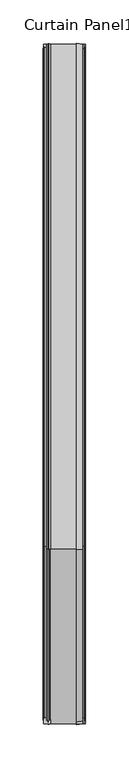
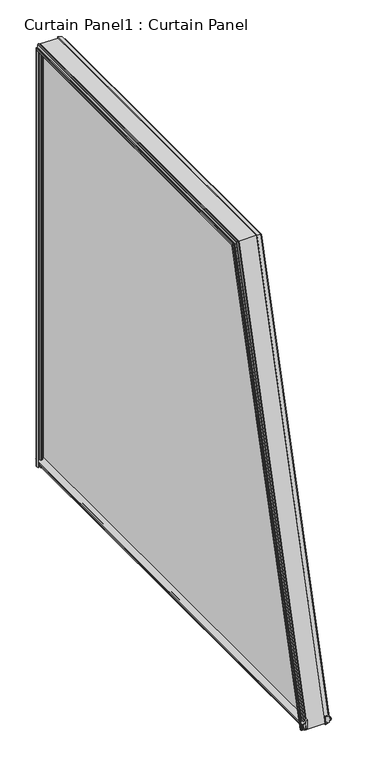
"""IFC4 building model written with IfcOpenShell, lengths in millimetres: plate geometry, Curtain Panel1 : Curtain Panel."""

from ifc_helpers import new_model, si_unit, point, frame, frame_2d, origin, place, context, project, spatial, polyline, circle_curve, ellipse_curve, trimmed, segment, composite_curve, outline, extrude, faceted_brep, source, transform, mapped, element, save
from ifc_brep_helpers import plane_surface, cylinder_surface, advanced_brep


def curtain_panel1_curtain_panel_ba2fb944(model_context):
    return source(origin(), model_context, "Body", "SolidModel", [
        extrude(outline(polyline([(892.3690138, -5186.9613997), (896.6616138, -5186.9613997), (897.1442138, -5184.2435997), (895.5948138, -5184.4975997), (895.5948138, -5183.6847997), (897.9316138, -5183.2783997), (900.2684138, -5183.6847997), (900.2684138, -5184.4975997), (898.7190138, -5184.2435997), (899.2016138, -5186.9613997), (903.4942138, -5186.9613997), (904.7022449, -5193.7800642), (891.1582229, -5193.7800642), (892.3690138, -5186.9613997)])), frame((0.0, 2686.8161776, 0.0), z_axis=(0.0, 1.0, 0.0), x_axis=(0.0, 0.0, 1.0)), (0.0, 0.0, 1.0), 783.2469048),
        extrude(outline(composite_curve([segment(polyline([(896.0734178, -5223.8167997), (910.0922254, -5223.8167997)]), True, "CONTINUOUS"), segment(trimmed(circle_curve(frame_2d((917.6100183, -5235.409894)), 13.8172734), [point((910.0922254, -5223.8167997))], [point((904.2816138, -5231.7669997))], True, "CARTESIAN"), True, "CONTINUOUS"), segment(polyline([(904.2816138, -5231.7669997), (904.2816138, -5229.3325299)]), True, "CONTINUOUS"), segment(trimmed(circle_curve(frame_2d((903.5300197, -5229.3325299)), 0.7515941), [point((904.2816138, -5229.3325299))], [point((903.5300197, -5228.5809358))], True, "CARTESIAN"), True, "CONTINUOUS"), segment(polyline([(903.5300197, -5228.5809358), (902.7120477, -5228.5809358), (902.7120477, -5230.271043), (897.1068876, -5228.6637892), (896.0734178, -5228.5919997)]), True, "CONTINUOUS"), segment(trimmed(circle_curve(frame_2d((896.0734178, -5226.2043997)), 2.3876), [point((896.0734178, -5228.5919997))], [point((896.0734178, -5223.8167997))], False, "CARTESIAN"), True, "CONTINUOUS")], self_intersect=False)), frame((0.0, 2686.8161776, 0.0), z_axis=(0.0, 1.0, 0.0), x_axis=(0.0, 0.0, 1.0)), (0.0, 0.0, 1.0), 783.2469048),
        advanced_brep(
        [(-5231.4342853, 2690.810271, 892.1097967), (-5231.1559844, 2689.2857278, 892.5182968), (-5231.9687844, 2689.2857278, 892.5182968), (-5232.3751844, 2691.5429017, 891.9134889), (-5231.9687844, 2693.8000756, 891.308681), (-5231.1559844, 2693.8000756, 891.308681), (-5231.4099844, 2692.3034712, 891.7096949), (-5228.6921844, 2692.7696266, 891.584789), (-5228.6921844, 2696.1553875, 890.6775771), (-5226.9775171, 2696.5377609, 890.5751204), (-5225.6571499, 2696.5053175, 890.5838136), (-5223.9423844, 2696.1553875, 890.6775771), (-5223.9423844, 2686.9304159, 893.1494008), (-5225.6571499, 2686.580486, 893.2431642), (-5226.9775171, 2686.5480425, 893.2518574), (-5228.6921844, 2686.9304159, 893.1494008), (-5228.6921844, 2690.3432397, 892.2349374), (-5231.4342853, 3465.9280927, 893.1800108), (-5228.6921844, 3466.411599, 893.1800108), (-5228.6921844, 3469.9448142, 893.1800108), (-5226.9775171, 3470.3406764, 893.1800108), (-5225.6571499, 3470.3070884, 893.1800108), (-5223.9423844, 3469.9448142, 893.1800108), (-5223.9423844, 3460.3944209, 893.1800108), (-5225.6571499, 3460.0321467, 893.1800108), (-5226.9775171, 3459.9985588, 893.1800108), (-5228.6921844, 3460.3944209, 893.1800108), (-5228.6921844, 3463.8996185, 893.1800108), (-5231.4099844, 3464.3822181, 893.1800108), (-5231.1559844, 3462.8328192, 893.1800108), (-5231.9687844, 3462.8328192, 893.1800108), (-5232.3751844, 3465.1696176, 893.1800108), (-5231.9687844, 3467.5064159, 893.1800108), (-5231.1559844, 3467.5064159, 893.1800108), (-5231.4342853, 2891.057197, 1639.4414984), (-5231.1559844, 2889.8461069, 1641.0198217), (-5231.9687844, 2889.8461069, 1641.0198217), (-5232.3751844, 2891.6391954, 1638.6830233), (-5231.9687844, 2893.4322838, 1636.346225), (-5231.1559844, 2893.4322838, 1636.346225), (-5231.4099844, 2892.2433882, 1637.8956239), (-5228.6921844, 2892.6137, 1637.4130242), (-5228.6921844, 3463.8996185, 1637.4130242), (-5228.6921844, 3460.3944209, 1633.9078267), (-5228.6921844, 2895.3033327, 1633.9078267), (-5223.9423844, 2895.3033327, 1633.9078267), (-5223.9423844, 3460.3944209, 1633.9078267), (-5223.9423844, 3469.9448142, 1643.45822), (-5223.9423844, 2887.9750581, 1643.45822), (-5228.6921844, 2887.9750581, 1643.45822), (-5228.6921844, 3469.9448142, 1643.45822), (-5228.6921844, 3466.411599, 1639.9250048), (-5228.6921844, 2890.6861895, 1639.9250048), (-5226.9775171, 2895.6070884, 1633.5119645), (-5225.6571499, 2895.5813154, 1633.5455525), (-5225.6571499, 2887.6970754, 1643.8204941), (-5226.9775171, 2887.6713024, 1643.8540821), (-5231.4342853, 3465.9280927, 1639.4414984), (-5231.1559844, 3467.5064159, 1641.0198217), (-5231.9687844, 3467.5064159, 1641.0198217), (-5232.3751844, 3465.1696176, 1638.6830233), (-5231.9687844, 3462.8328192, 1636.346225), (-5231.1559844, 3462.8328192, 1636.346225), (-5231.4099844, 3464.3822181, 1637.8956239), (-5226.9775171, 3459.9985588, 1633.5119645), (-5225.6571499, 3460.0321467, 1633.5455525), (-5225.6571499, 3470.3070884, 1643.8204941), (-5226.9775171, 3470.3406764, 1643.8540821)],
        [
            (0, 1),
            (1, 2),
            (2, 3),
            (3, 4),
            (4, 5),
            (5, 6),
            (6, 7),
            (7, 8),
            (8, 9),
            (9, 10, circle_curve(frame((-5226.3172844, 2696.5234049, 890.5789671), z_axis=(0.0, -0.2588190451025222, -0.965925826289068), x_axis=(-1.0, 0.0, 0.0)), 0.6604)),
            (10, 11),
            (11, 12),
            (12, 13),
            (13, 14, circle_curve(frame((-5226.3172844, 2686.5623985, 893.2480107), z_axis=(0.0, -0.2588190451025222, -0.965925826289068), x_axis=(-1.0, 0.0, 0.0)), 0.6604)),
            (14, 15),
            (15, 16),
            (16, 0),
            (17, 18),
            (18, 19),
            (19, 20),
            (20, 21, circle_curve(frame((-5226.3172844, 3470.3258139, 893.1800108), z_axis=(0.0, 0.0, -1.0), x_axis=(-1.0, 0.0, 0.0)), 0.6604)),
            (21, 22),
            (22, 23),
            (23, 24),
            (24, 25, circle_curve(frame((-5226.3172844, 3460.0134212, 893.1800108), z_axis=(0.0, 0.0, -1.0), x_axis=(-1.0, 0.0, 0.0)), 0.6604)),
            (25, 26),
            (26, 27),
            (27, 28),
            (28, 29),
            (29, 30),
            (30, 31),
            (31, 32),
            (32, 33),
            (33, 17),
            (0, 34),
            (34, 35),
            (35, 1),
            (35, 36),
            (36, 2),
            (36, 37),
            (37, 3),
            (37, 38),
            (38, 4),
            (38, 39),
            (39, 5),
            (39, 40),
            (40, 6),
            (40, 41),
            (41, 7),
            (41, 42),
            (42, 27),
            (26, 43),
            (43, 44),
            (44, 8),
            (11, 45),
            (45, 46),
            (46, 23),
            (22, 47),
            (47, 48),
            (48, 12),
            (15, 49),
            (49, 50),
            (50, 19),
            (18, 51),
            (51, 52),
            (52, 16),
            (52, 34),
            (44, 53),
            (53, 9),
            (53, 54, ellipse_curve(frame((-5226.3172844, 2895.595684, 1633.526827), z_axis=(0.0, -0.7933533402912355, -0.6087614290087201), x_axis=(0.0, 0.60876142900872, -0.7933533402912356)), 0.832416, 0.6604)),
            (54, 10),
            (54, 45),
            (48, 55),
            (55, 13),
            (55, 56, ellipse_curve(frame((-5226.3172844, 2887.6827068, 1643.8392197), z_axis=(0.0, -0.7933533402912355, -0.6087614290087201), x_axis=(0.0, 0.60876142900872, -0.7933533402912356)), 0.832416, 0.6604)),
            (56, 14),
            (56, 49),
            (34, 57),
            (57, 58),
            (58, 35),
            (58, 59),
            (59, 36),
            (59, 60),
            (60, 37),
            (60, 61),
            (61, 38),
            (61, 62),
            (62, 39),
            (62, 63),
            (63, 40),
            (63, 42),
            (43, 64),
            (64, 53),
            (64, 65, ellipse_curve(frame((-5226.3172844, 3460.0134212, 1633.526827), z_axis=(0.0, -0.7071067811865474, 0.7071067811865477), x_axis=(0.0, -0.7071067811865476, -0.7071067811865474)), 0.9339466, 0.6604)),
            (65, 54),
            (65, 46),
            (47, 66),
            (66, 55),
            (66, 67, ellipse_curve(frame((-5226.3172844, 3470.3258139, 1643.8392197), z_axis=(0.0, -0.7071067811865474, 0.7071067811865477), x_axis=(0.0, -0.7071067811865476, -0.7071067811865474)), 0.9339466, 0.6604)),
            (67, 56),
            (67, 50),
            (51, 57),
            (57, 17),
            (33, 58),
            (32, 59),
            (31, 60),
            (30, 61),
            (29, 62),
            (28, 63),
            (25, 64),
            (24, 65),
            (21, 66),
            (20, 67),
        ],
        [
            plane_surface(frame((-5223.9425642, 2686.8161776, 893.1800108), z_axis=(0.0, -0.25881904510252224, -0.9659258262890679), x_axis=(-1.0, 0.0, 0.0))),
            plane_surface(frame((-5223.9425642, 3470.0630824, 893.1800108), z_axis=(0.0, 0.0, -1.0), x_axis=(-1.0, 0.0, 0.0))),
            plane_surface(frame((-5231.4342853, 2690.810271, 892.1097967), z_axis=(0.9848077530121929, 0.16773125949660359, -0.044943455527570356), x_axis=(0.0, 0.2588190451025226, 0.9659258262890678))),
            plane_surface(frame((-5231.1559844, 2689.2857278, 892.5182968), z_axis=(0.0, -0.965925826289068, 0.25881904510252196), x_axis=(0.0, 0.25881904510252196, 0.965925826289068))),
            plane_surface(frame((-5231.9687844, 2689.2857278, 892.5182968), z_axis=(-0.9852117345923342, -0.16550297814303352, 0.0443463893383718), x_axis=(0.0, 0.25881904510252196, 0.965925826289068))),
            plane_surface(frame((-5232.3751844, 2691.5429017, 891.9134889), z_axis=(-0.9852117345923411, 0.1655029781429952, -0.044346389338361596), x_axis=(0.0, 0.2588190451025223, 0.9659258262890679))),
            plane_surface(frame((-5231.9687844, 2693.8000756, 891.308681), z_axis=(0.0, 0.965925826289068, -0.25881904510252224), x_axis=(0.0, 0.25881904510252224, 0.965925826289068))),
            plane_surface(frame((-5231.1559844, 2693.8000756, 891.308681), z_axis=(0.9868276470441841, -0.15626278311222602, 0.04187048654196089), x_axis=(0.0, 0.25881904510252224, 0.965925826289068))),
            plane_surface(frame((-5231.4099844, 2692.3034712, 891.7096949), z_axis=(-0.17483499188440074, 0.9510483934199769, -0.25483264897980085), x_axis=(0.0, 0.25881904510252207, 0.965925826289068))),
            plane_surface(frame((-5228.6921844, 2692.7696266, 891.584789), z_axis=(-1.0, 0.0, 0.0), x_axis=(0.0, 0.25881904510252207, 0.965925826289068))),
            plane_surface(frame((-5223.9423844, 2696.1553875, 890.6775771), z_axis=(1.0000000000000002, 0.0, 0.0), x_axis=(0.0, 0.25881904510252257, 0.9659258262890679))),
            plane_surface(frame((-5228.6921844, 2686.9304159, 893.1494008), z_axis=(-1.0, 0.0, 0.0), x_axis=(0.0, 0.25881904510252224, 0.9659258262890679))),
            plane_surface(frame((-5228.6921844, 2690.3432397, 892.2349374), z_axis=(-0.17364817766687723, -0.9512512425642066, 0.2548870022441826), x_axis=(0.0, 0.2588190451025221, 0.965925826289068))),
            plane_surface(frame((-5228.6921844, 2696.1553875, 890.6775771), z_axis=(-0.2249510543437139, 0.9411692099390448, -0.25218552974420616), x_axis=(0.0, 0.258819045102522, 0.965925826289068))),
            cylinder_surface(frame((-5226.3172844, 2696.5234049, 890.5789671), z_axis=(0.0, -0.2588190451025222, -0.965925826289068), x_axis=(-1.0, 0.0, 0.0)), 0.6604),
            plane_surface(frame((-5225.6571499, 2696.5053175, 890.5838136), z_axis=(0.20670479014045356, 0.9450650714215391, -0.2532294226822638), x_axis=(0.0, 0.2588190451025218, 0.9659258262890681))),
            plane_surface(frame((-5223.9423844, 2686.9304159, 893.1494008), z_axis=(0.20670479098948896, -0.9450650712482772, 0.2532294226358392), x_axis=(0.0, 0.25881904510252257, 0.9659258262890679))),
            cylinder_surface(frame((-5226.3172844, 2686.5623985, 893.2480107), z_axis=(0.0, -0.2588190451025222, -0.965925826289068), x_axis=(-1.0, 0.0, 0.0)), 0.6604),
            plane_surface(frame((-5226.9775171, 2686.5480425, 893.2518574), z_axis=(-0.22495105434392432, -0.9411692099389978, 0.25218552974419384), x_axis=(0.0, 0.2588190451025223, 0.9659258262890679))),
            plane_surface(frame((-5231.4342853, 2891.057197, 1639.4414984), z_axis=(0.9848077530121927, 0.0, -0.17364817766701773), x_axis=(0.0, 1.0, 0.0))),
            plane_surface(frame((-5231.1559844, 2889.8461069, 1641.0198217), z_axis=(0.0, 0.0, 1.0), x_axis=(0.0, 1.0, 0.0))),
            plane_surface(frame((-5231.9687844, 2889.8461069, 1641.0198217), z_axis=(-0.9852117345923341, 0.0, 0.17134129105841467), x_axis=(0.0, 1.0, 0.0))),
            plane_surface(frame((-5232.3751844, 2891.6391954, 1638.6830233), z_axis=(-0.9852117345923416, 0.0, -0.17134129105837215), x_axis=(0.0, 1.0, 0.0))),
            plane_surface(frame((-5231.9687844, 2893.4322838, 1636.346225), z_axis=(0.0, 0.0, -1.0), x_axis=(0.0, 1.0, 0.0))),
            plane_surface(frame((-5231.1559844, 2893.4322838, 1636.346225), z_axis=(0.9868276470441844, 0.0, 0.16177513724067322), x_axis=(0.0, 1.0, 0.0))),
            plane_surface(frame((-5231.4099844, 2892.2433882, 1637.8956239), z_axis=(-0.17483499188440216, 0.0, -0.9845977481249798), x_axis=(0.0, 1.0, 0.0))),
            plane_surface(frame((-5228.6921844, 2895.3033327, 1633.9078267), z_axis=(-0.22495105434371535, 0.0, -0.9743700647852699), x_axis=(0.0, 1.0, 0.0))),
            cylinder_surface(frame((-5226.3172844, 2887.8843077, 1633.526827), z_axis=(0.0, -1.0, 0.0), x_axis=(-1.0, 0.0, 0.0)), 0.6604),
            plane_surface(frame((-5225.6571499, 2895.5813154, 1633.5455525), z_axis=(0.20670479014045218, 0.0, -0.9784033573802738), x_axis=(0.0, 1.0, 0.0))),
            plane_surface(frame((-5223.9423844, 2887.9750581, 1643.45822), z_axis=(0.20670479098949038, 0.0, 0.9784033572008997), x_axis=(0.0, 1.0, 0.0))),
            cylinder_surface(frame((-5226.3172844, 2887.8843077, 1643.8392197), z_axis=(0.0, -1.0, 0.0), x_axis=(-1.0, 0.0, 0.0)), 0.6604),
            plane_surface(frame((-5226.9775171, 2887.6713024, 1643.8540821), z_axis=(-0.22495105434392298, 0.0, 0.9743700647852219), x_axis=(0.0, 1.0, 0.0))),
            plane_surface(frame((-5228.6921844, 2890.6861895, 1639.9250048), z_axis=(-0.17364817766687585, 0.0, 0.9848077530122177), x_axis=(0.0, 1.0, 0.0))),
            plane_surface(frame((-5231.4342853, 3465.9280927, 1639.4414984), z_axis=(0.9848077530121924, -0.17364817766701957, 0.0), x_axis=(0.0, 0.0, -1.0))),
            plane_surface(frame((-5231.1559844, 3467.5064159, 1641.0198217), z_axis=(0.0, 1.0, 0.0), x_axis=(0.0, 0.0, -1.0))),
            plane_surface(frame((-5231.9687844, 3467.5064159, 1641.0198217), z_axis=(-0.9852117345923338, 0.1713412910584165, 0.0), x_axis=(0.0, 0.0, -1.0))),
            plane_surface(frame((-5232.3751844, 3465.1696176, 1638.6830233), z_axis=(-0.9852117345923419, -0.17134129105837032, 0.0), x_axis=(0.0, 0.0, -1.0))),
            plane_surface(frame((-5231.9687844, 3462.8328192, 1636.346225), z_axis=(0.0, -1.0, 0.0), x_axis=(0.0, 0.0, -1.0))),
            plane_surface(frame((-5231.1559844, 3462.8328192, 1636.346225), z_axis=(0.9868276470441847, 0.16177513724067139, 0.0), x_axis=(0.0, 0.0, -1.0))),
            plane_surface(frame((-5231.4099844, 3464.3822181, 1637.8956239), z_axis=(-0.174834991884404, -0.9845977481249795, 0.0), x_axis=(0.0, 0.0, -1.0))),
            plane_surface(frame((-5228.6921844, 3460.3944209, 1633.9078267), z_axis=(-0.22495105434371715, -0.9743700647852694, 0.0), x_axis=(0.0, 0.0, -1.0))),
            cylinder_surface(frame((-5226.3172844, 3460.0134212, 1643.5764882), z_axis=(0.0, 0.0, 1.0), x_axis=(-1.0, 0.0, 0.0)), 0.6604),
            plane_surface(frame((-5225.6571499, 3460.0321467, 1633.5455525), z_axis=(0.20670479014045037, -0.9784033573802742, 0.0), x_axis=(0.0, 0.0, -1.0))),
            plane_surface(frame((-5223.9423844, 3469.9448142, 1643.45822), z_axis=(0.20670479098949218, 0.9784033572008993, 0.0), x_axis=(0.0, 0.0, -1.0))),
            cylinder_surface(frame((-5226.3172844, 3470.3258139, 1643.5764882), z_axis=(0.0, 0.0, 1.0), x_axis=(-1.0, 0.0, 0.0)), 0.6604),
            plane_surface(frame((-5226.9775171, 3470.3406764, 1643.8540821), z_axis=(-0.22495105434392118, 0.9743700647852224, 0.0), x_axis=(0.0, 0.0, -1.0))),
            plane_surface(frame((-5228.6921844, 3466.411599, 1639.9250048), z_axis=(-0.17364817766687402, 0.984807753012218, 0.0), x_axis=(0.0, 0.0, -1.0))),
        ],
        [
            (0, [[1, 2, 3, 4, 5, 6, 7, 8, 9, 10, 11, 12, 13, 14, 15, 16, 17]]),
            (1, [[18, 19, 20, 21, 22, 23, 24, 25, 26, 27, 28, 29, 30, 31, 32, 33, 34]]),
            (2, [[-1, 35, 36, 37]]),
            (3, [[-2, -37, 38, 39]]),
            (4, [[-3, -39, 40, 41]]),
            (5, [[-4, -41, 42, 43]]),
            (6, [[-5, -43, 44, 45]]),
            (7, [[-6, -45, 46, 47]]),
            (8, [[-7, -47, 48, 49]]),
            (9, [[-8, -49, 50, 51, -27, 52, 53, 54]]),
            (10, [[-12, 55, 56, 57, -23, 58, 59, 60]]),
            (11, [[-16, 61, 62, 63, -19, 64, 65, 66]]),
            (12, [[-17, -66, 67, -35]]),
            (13, [[-9, -54, 68, 69]]),
            (14, [[-10, -69, 70, 71]]),
            (15, [[-11, -71, 72, -55]]),
            (16, [[-13, -60, 73, 74]]),
            (17, [[-14, -74, 75, 76]]),
            (18, [[-15, -76, 77, -61]]),
            (19, [[-36, 78, 79, 80]]),
            (20, [[-38, -80, 81, 82]]),
            (21, [[-40, -82, 83, 84]]),
            (22, [[-42, -84, 85, 86]]),
            (23, [[-44, -86, 87, 88]]),
            (24, [[-46, -88, 89, 90]]),
            (25, [[-48, -90, 91, -50]]),
            (26, [[-68, -53, 92, 93]]),
            (27, [[-70, -93, 94, 95]]),
            (28, [[-72, -95, 96, -56]]),
            (29, [[-73, -59, 97, 98]]),
            (30, [[-75, -98, 99, 100]]),
            (31, [[-77, -100, 101, -62]]),
            (32, [[-67, -65, 102, -78]]),
            (33, [[-79, 103, -34, 104]]),
            (34, [[-81, -104, -33, 105]]),
            (35, [[-83, -105, -32, 106]]),
            (36, [[-85, -106, -31, 107]]),
            (37, [[-87, -107, -30, 108]]),
            (38, [[-89, -108, -29, 109]]),
            (39, [[-91, -109, -28, -51]]),
            (40, [[-92, -52, -26, 110]]),
            (41, [[-94, -110, -25, 111]]),
            (42, [[-96, -111, -24, -57]]),
            (43, [[-97, -58, -22, 112]]),
            (44, [[-99, -112, -21, 113]]),
            (45, [[-101, -113, -20, -63]]),
            (46, [[-102, -64, -18, -103]]),
        ],
    ),
        faceted_brep([(-5184.3450632, 2691.4811367, 891.9300388), (-5187.0871642, 2691.0141054, 892.0551795), (-5187.0871642, 2686.8161776, 893.1800108), (-5193.7800642, 2685.691856, 893.4812719), (-5193.7800642, 2698.6978293, 889.9963318), (-5187.0871642, 2697.549867, 890.3039274), (-5187.0871642, 2693.4404923, 891.405031), (-5184.3693642, 2692.9743368, 891.529937), (-5184.6233642, 2694.4709413, 891.1289231), (-5183.8105642, 2694.4709413, 891.1289231), (-5183.4041642, 2692.2137674, 891.733731), (-5183.8105642, 2689.9565935, 892.3385389), (-5184.6233642, 2689.9565935, 892.3385389), (-5184.3450632, 3465.2335614, 893.1800108), (-5184.6233642, 3466.8118847, 893.1800108), (-5183.8105642, 3466.8118847, 893.1800108), (-5183.4041642, 3464.4750863, 893.1800108), (-5183.8105642, 3462.1382879, 893.1800108), (-5184.6233642, 3462.1382879, 893.1800108), (-5184.3693642, 3463.6876869, 893.1800108), (-5187.0871642, 3463.2050872, 893.1800108), (-5187.0871642, 3458.9507495, 893.1800108), (-5193.7800642, 3457.7622914, 893.1800108), (-5193.7800642, 3471.2270658, 893.1800108), (-5187.0871642, 3470.0630824, 893.1800108), (-5187.0871642, 3465.7170678, 893.1800108), (-5184.3450632, 2891.5901295, 1638.7469672), (-5187.0871642, 2891.219122, 1639.2304736), (-5187.0871642, 3465.7170678, 1639.2304736), (-5187.0871642, 3470.0630824, 1643.5764882), (-5187.0871642, 2887.8843077, 1643.5764882), (-5193.7800642, 2886.9911519, 1644.7404716), (-5193.7800642, 3471.2270658, 1644.7404716), (-5193.7800642, 3457.7622914, 1631.2756972), (-5193.7800642, 2897.3230366, 1631.2756972), (-5187.0871642, 2896.4111007, 1632.4641553), (-5187.0871642, 3458.9507495, 1632.4641553), (-5187.0871642, 3463.2050872, 1636.718493), (-5187.0871642, 2893.1466326, 1636.718493), (-5184.3693642, 2892.7763208, 1637.2010926), (-5184.6233642, 2893.9652164, 1635.6516937), (-5183.8105642, 2893.9652164, 1635.6516937), (-5183.4041642, 2892.172128, 1637.9884921), (-5183.8105642, 2890.3790395, 1640.3252904), (-5184.6233642, 2890.3790395, 1640.3252904), (-5184.3450632, 3465.2335614, 1638.7469672), (-5184.3693642, 3463.6876869, 1637.2010926), (-5184.6233642, 3462.1382879, 1635.6516937), (-5183.8105642, 3462.1382879, 1635.6516937), (-5183.4041642, 3464.4750863, 1637.9884921), (-5183.8105642, 3466.8118847, 1640.3252904), (-5184.6233642, 3466.8118847, 1640.3252904)], [[[0, 1, 2, 3, 4, 5, 6, 7, 8, 9, 10, 11, 12]], [[13, 14, 15, 16, 17, 18, 19, 20, 21, 22, 23, 24, 25]], [[1, 0, 26, 27]], [[2, 1, 27, 28, 25, 24, 29, 30]], [[3, 2, 30, 31]], [[4, 3, 31, 32, 23, 22, 33, 34]], [[5, 4, 34, 35]], [[6, 5, 35, 36, 21, 20, 37, 38]], [[7, 6, 38, 39]], [[8, 7, 39, 40]], [[9, 8, 40, 41]], [[10, 9, 41, 42]], [[11, 10, 42, 43]], [[12, 11, 43, 44]], [[0, 12, 44, 26]], [[27, 26, 45, 28]], [[31, 30, 29, 32]], [[35, 34, 33, 36]], [[39, 38, 37, 46]], [[40, 39, 46, 47]], [[41, 40, 47, 48]], [[42, 41, 48, 49]], [[43, 42, 49, 50]], [[44, 43, 50, 51]], [[26, 44, 51, 45]], [[28, 45, 13, 25]], [[32, 29, 24, 23]], [[36, 33, 22, 21]], [[46, 37, 20, 19]], [[47, 46, 19, 18]], [[48, 47, 18, 17]], [[49, 48, 17, 16]], [[50, 49, 16, 15]], [[51, 50, 15, 14]], [[45, 51, 14, 13]]]),
        extrude(outline(polyline([(2686.8161776, 893.1800108), (2887.8843077, 1643.5764882), (3470.0630824, 1643.5764882), (3470.0630824, 893.1800108), (2686.8161776, 893.1800108)])), frame((-5223.9425642, 0.0, 0.0), z_axis=(1.0, 0.0, 0.0), x_axis=(0.0, 1.0, 0.0)), (0.0, 0.0, 1.0), 30.1625),
    ])


if __name__ == "__main__":
    model = new_model("IFC4")
    model_context = context("Model", 3, world=origin())
    ifc_project = project(units=[si_unit("LENGTHUNIT", "METRE", prefix="MILLI")], contexts=[model_context])
    site = spatial("IfcSite", under=ifc_project)
    building = spatial("IfcBuilding", under=site)
    placement = place(None, origin())
    curtain_panel1_curtain_panel_shape = curtain_panel1_curtain_panel_ba2fb944(model_context)
    element("IfcPlate", 1, ObjectType="Curtain Panel1 : Curtain Panel", at=placement, inside=building, context=model_context, shape_type="MappedRepresentation", body=[
        mapped(curtain_panel1_curtain_panel_shape, transform((0.0, 0.0, 0.0), x_axis=(1.0, 0.0, 0.0), y_axis=(0.0, 1.0, 0.0), z_axis=(0.0, 0.0, 1.0))),
    ])
    save(model, "model.ifc")
